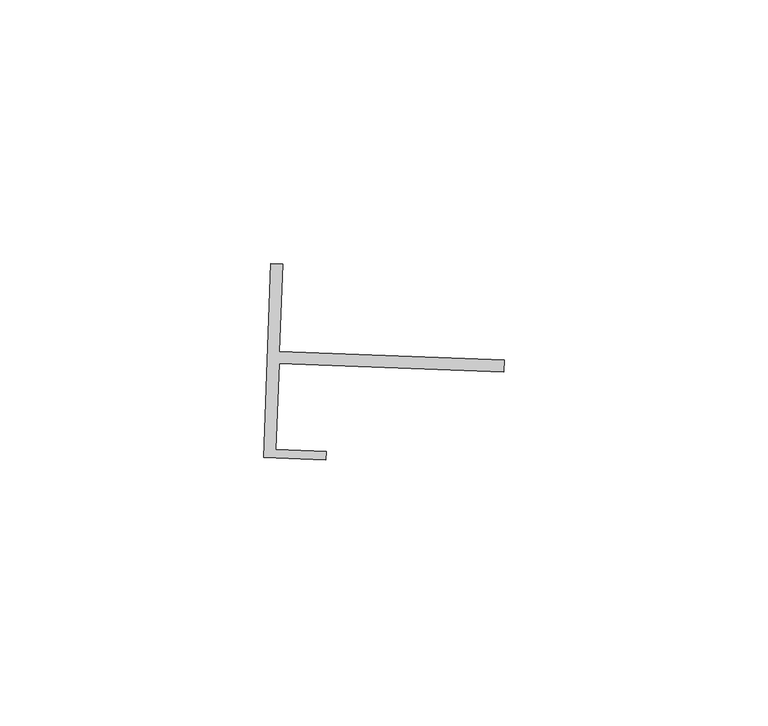
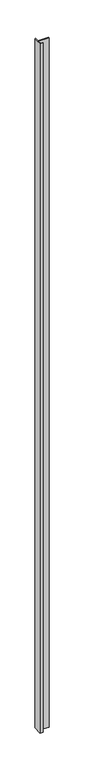
"""IFC4 building model written with IfcOpenShell, lengths in millimetres: proxy geometry."""

from ifc_helpers import new_model, si_unit, frame, origin, place, context, project, spatial, polyline, outline, extrude, source, transform, mapped, element, save


def generic_models_e1e0c400(model_context):
    return source(origin(), model_context, "Body", "SweptSolid", [
        extrude(outline(polyline([(18262.4822093, -14898.8616796), (18262.3997687, -14901.1474803), (18219.7333655, -14899.6086554), (18219.1453163, -14915.9132698), (18228.6690655, -14916.2567575), (18228.6113564, -14917.8568374), (18216.8019105, -14917.4307186), (18218.1312061, -14880.573857), (18220.4169097, -14880.6562941), (18219.8158064, -14897.3228547), (18262.4822093, -14898.8616796)])), frame((0.0, 0.0, 73.975708), z_axis=(0.0, 0.0, 1.0), x_axis=(1.0, 0.0, 0.0)), (0.0, 0.0, 1.0), 2959.11),
    ])


if __name__ == "__main__":
    model = new_model("IFC4")
    model_context = context("Model", 3, world=origin())
    ifc_project = project(units=[si_unit("LENGTHUNIT", "METRE", prefix="MILLI")], contexts=[model_context])
    site = spatial("IfcSite", under=ifc_project)
    building = spatial("IfcBuilding", under=site)
    placement = place(None, origin())
    generic_models_shape = generic_models_e1e0c400(model_context)
    element("IfcBuildingElementProxy", 1, Name="Generic Models", at=placement, inside=building, context=model_context, shape_type="MappedRepresentation", body=[
        mapped(generic_models_shape, transform((0.0, 0.0, 0.0), x_axis=(1.0, 0.0, 0.0), y_axis=(0.0, 1.0, 0.0), z_axis=(0.0, 0.0, 1.0))),
    ])
    save(model, "model.ifc")
